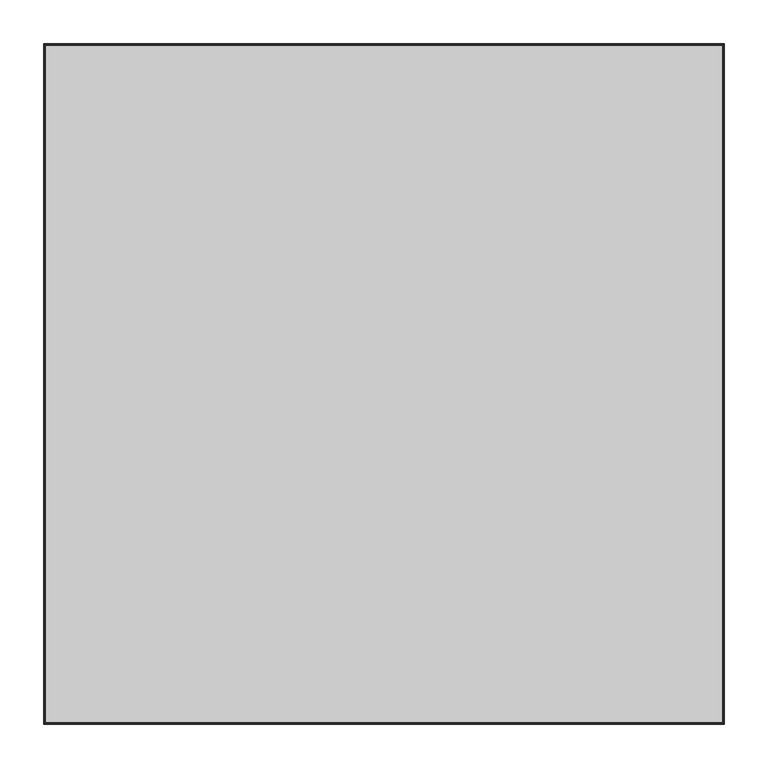
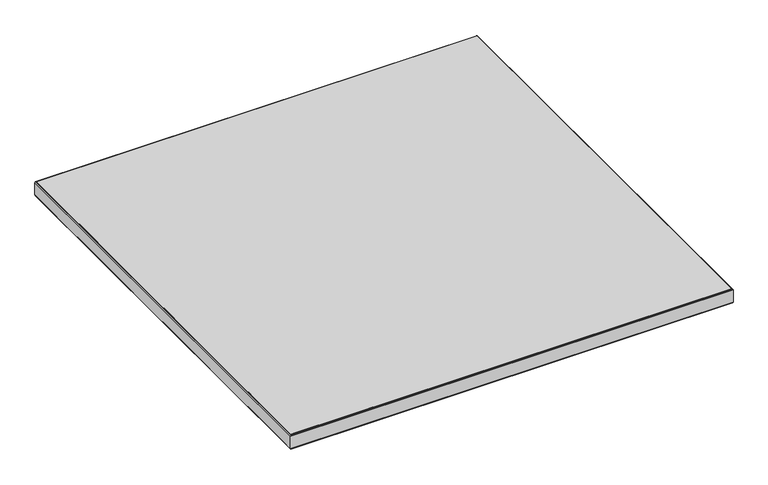
"""IFC4 building model written with IfcOpenShell, lengths in millimetres: furniture geometry."""

from ifc_helpers import new_model, si_unit, frame, origin, place, context, project, spatial, polyline, outline, extrude, faceted_brep, source, transform, mapped, element, save


def furniture_1f0fafcd(model_context):
    return source(origin(), model_context, "Body", "SolidModel", [
        extrude(outline(polyline([(825.1509418, 773.8938234), (825.1509418, 2.177796), (53.4349969, 2.177796), (53.4349969, 773.8938234), (825.1509418, 773.8938234)])), frame((0.0, 0.0, 711.1999864), z_axis=(0.0, 0.0, 1.0), x_axis=(1.0, 0.0, 0.0)), (0.0, 0.0, 1.0), 26.924),
        faceted_brep([(826.5650997, 775.3079813, 737.5381937), (827.1508924, 775.893774, 736.1240358), (51.4350463, 775.893774, 736.1240358), (52.0208391, 775.3079813, 737.5381937), (825.1509418, 773.8938234, 738.1239864), (53.4349969, 773.8938234, 738.1239864), (825.1509418, 773.8938234, 711.1999864), (53.4349969, 773.8938234, 711.1999864), (826.5650997, 775.3079813, 711.7857792), (52.0208391, 775.3079813, 711.7857792), (827.1508924, 775.893774, 713.2000097), (51.4350463, 775.893774, 713.2000097), (51.4350463, 0.1778454, 736.1240358), (52.0208391, 0.7636382, 737.5381937), (53.4349969, 2.177796, 738.1239864), (53.4349969, 2.177796, 711.1999864), (52.0208391, 0.7636382, 711.7857792), (51.4350463, 0.1778454, 713.2000097), (827.1508924, 0.1778454, 736.1240358), (826.5650997, 0.7636382, 737.5381937), (825.1509418, 2.177796, 738.1239864), (825.1509418, 2.177796, 711.1999864), (826.5650997, 0.7636382, 711.7857792), (827.1508924, 0.1778454, 713.2000097)], [[[0, 1, 2, 3]], [[4, 0, 3, 5]], [[6, 4, 5, 7]], [[8, 6, 7, 9]], [[10, 8, 9, 11]], [[1, 10, 11, 2]], [[3, 2, 12, 13]], [[5, 3, 13, 14]], [[7, 5, 14, 15]], [[9, 7, 15, 16]], [[11, 9, 16, 17]], [[2, 11, 17, 12]], [[13, 12, 18, 19]], [[14, 13, 19, 20]], [[15, 14, 20, 21]], [[16, 15, 21, 22]], [[17, 16, 22, 23]], [[12, 17, 23, 18]], [[19, 18, 1, 0]], [[20, 19, 0, 4]], [[21, 20, 4, 6]], [[22, 21, 6, 8]], [[23, 22, 8, 10]], [[18, 23, 10, 1]]]),
    ])


if __name__ == "__main__":
    model = new_model("IFC4")
    model_context = context("Model", 3, world=origin())
    ifc_project = project(units=[si_unit("LENGTHUNIT", "METRE", prefix="MILLI")], contexts=[model_context])
    site = spatial("IfcSite", under=ifc_project)
    building = spatial("IfcBuilding", under=site)
    placement = place(None, origin())
    furniture_shape = furniture_1f0fafcd(model_context)
    element("IfcFurniture", 1, at=placement, inside=building, context=model_context, shape_type="MappedRepresentation", body=[
        mapped(furniture_shape, transform((0.0, 0.0, 0.0), x_axis=(1.0, 0.0, 0.0), y_axis=(0.0, 1.0, 0.0), z_axis=(0.0, 0.0, 1.0))),
    ])
    save(model, "model.ifc")
